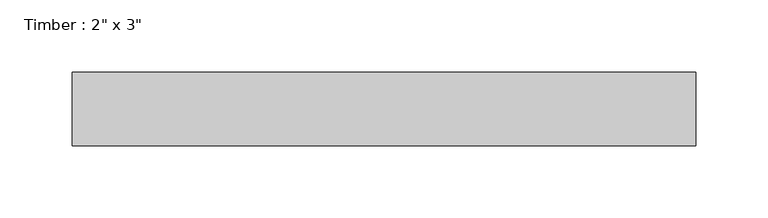
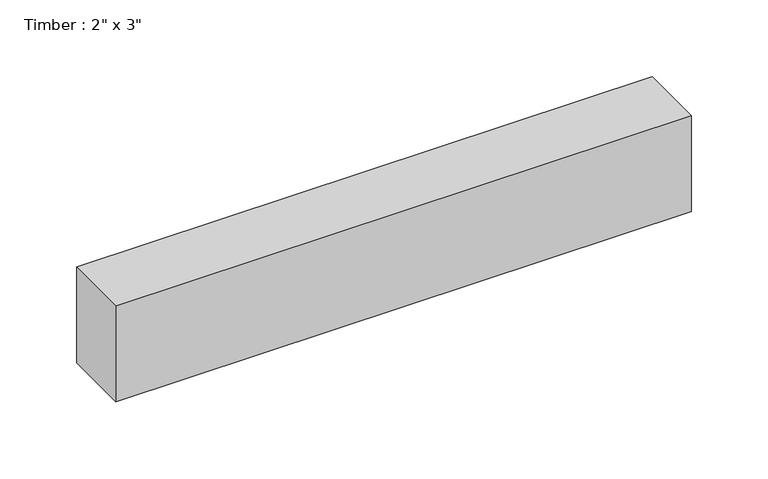
"""IFC4 building model written with IfcOpenShell, lengths in millimetres: beam geometry."""

from ifc_helpers import new_model, si_unit, frame, origin, place, context, project, spatial, polyline, outline, extrude, source, transform, mapped, element, save


def beam_5ba93e2a(model_context):
    return source(origin(), model_context, "Body", "SweptSolid", [
        extrude(outline(polyline([(215.8958186, -25.4), (-215.8958186, -25.4), (-215.8958186, 25.4), (215.8958186, 25.4), (215.8958186, -25.4)])), frame((0.0, 0.0, -38.1), z_axis=(0.0, 0.0, 1.0), x_axis=(1.0, 0.0, 0.0)), (0.0, 0.0, 1.0), 76.2),
    ])


if __name__ == "__main__":
    model = new_model("IFC4")
    model_context = context("Model", 3, world=origin())
    ifc_project = project(units=[si_unit("LENGTHUNIT", "METRE", prefix="MILLI")], contexts=[model_context])
    site = spatial("IfcSite", under=ifc_project)
    building = spatial("IfcBuilding", under=site)
    placement = place(None, origin())
    beam_shape = beam_5ba93e2a(model_context)
    element("IfcBeam", 1, ObjectType="Timber : 2\" x 3\"", at=placement, inside=building, context=model_context, shape_type="MappedRepresentation", body=[
        mapped(beam_shape, transform((0.0, 0.0, 0.0), x_axis=(1.0, 0.0, 0.0), y_axis=(0.0, 1.0, 0.0), z_axis=(0.0, 0.0, 1.0))),
    ])
    save(model, "model.ifc")
